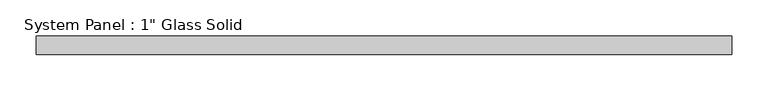
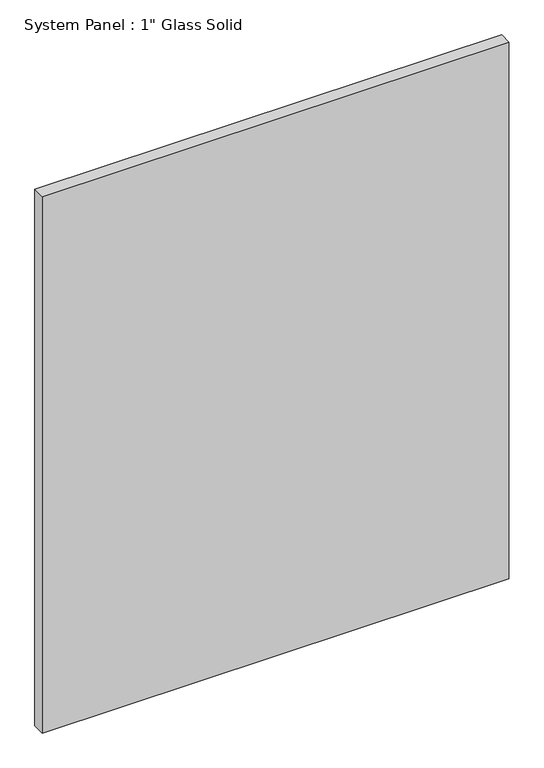
"""IFC4 building model written with IfcOpenShell, lengths in millimetres: plate geometry."""

from ifc_helpers import new_model, si_unit, origin, origin_with_axes, place, context, project, spatial, polyline, outline, extrude, source, transform, mapped, element, save


def plate_c26ed01a(model_context):
    return source(origin(), model_context, "Body", "SweptSolid", [
        extrude(outline(polyline([(479.425, -12.7), (-479.425, -12.7), (-479.425, 12.7), (479.425, 12.7), (479.425, -12.7)])), origin_with_axes(), (0.0, 0.0, 1.0), 1165.2267704),
    ])


if __name__ == "__main__":
    model = new_model("IFC4")
    model_context = context("Model", 3, world=origin())
    ifc_project = project(units=[si_unit("LENGTHUNIT", "METRE", prefix="MILLI")], contexts=[model_context])
    site = spatial("IfcSite", under=ifc_project)
    building = spatial("IfcBuilding", under=site)
    placement = place(None, origin())
    plate_shape = plate_c26ed01a(model_context)
    element("IfcPlate", 1, ObjectType="System Panel : 1\" Glass Solid", at=placement, inside=building, context=model_context, shape_type="MappedRepresentation", body=[
        mapped(plate_shape, transform((0.0, 0.0, 0.0), x_axis=(1.0, 0.0, 0.0), y_axis=(0.0, 1.0, 0.0), z_axis=(0.0, 0.0, 1.0))),
    ])
    save(model, "model.ifc")
